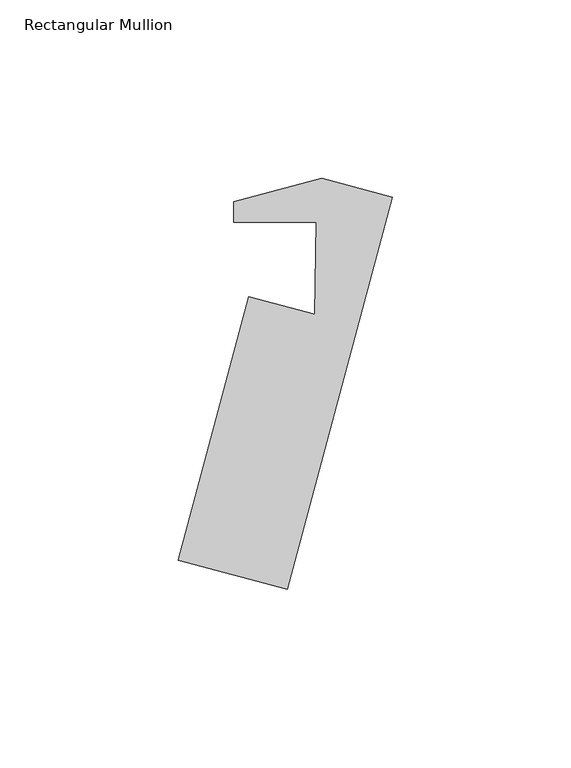
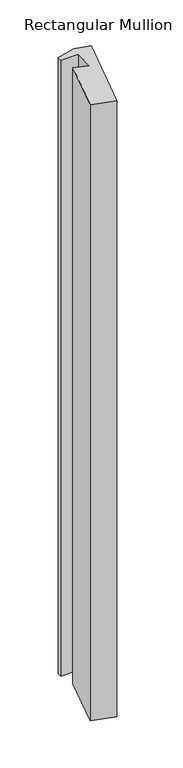
"""IFC4 building model written with IfcOpenShell, lengths in millimetres: member geometry, Rectangular Mullion."""

import ifcopenshell
import ifcopenshell.guid

model = None  # the IFC model being written
_history = None  # IfcOwnerHistory: only IFC2X3 demands one
_inside = {}  # id of a spatial element -> (the spatial element, [elements in it])
_under = {}  # id of a project, library or spatial element -> (it, [spatial elements below it])
_declared = {}  # id of a project -> (the project, [libraries it declares])
_typed = {}  # id of a type object -> (the type object, [elements of that type])
_made_of = {}  # id of a material, layer set ... -> (it, [elements and type objects made of it])


def new_model(schema):
    """Start an empty IFC model of exactly this schema.

    Asked for "IFC4X3", IfcOpenShell would pick the latest addendum, in which some entities
    have other attributes; the version numbers below select the first issue.
    IFC2X3 requires an IfcOwnerHistory on every rooted entity: one is made here for all.
    """
    global model, _history
    if schema == "IFC4X3":
        model = ifcopenshell.file(schema_version=(4, 3, 0, 0))
    else:
        model = ifcopenshell.file(schema=schema)
    _inside.clear()
    _under.clear()
    _declared.clear()
    _typed.clear()
    _made_of.clear()
    _history = None
    if model.schema == "IFC2X3":
        org = make("IfcOrganization", Name="unknown")
        user = make(
            "IfcPersonAndOrganization",
            ThePerson=make("IfcPerson", FamilyName="unknown"),
            TheOrganization=org,
        )
        app = make(
            "IfcApplication",
            ApplicationDeveloper=org,
            Version="unknown",
            ApplicationFullName="unknown",
            ApplicationIdentifier="unknown",
        )
        _history = make(
            "IfcOwnerHistory",
            OwningUser=user,
            OwningApplication=app,
            ChangeAction="ADDED",
            CreationDate=0,
        )
    return model


def make(cls, **values):
    """One entity of the class cls with the attributes given. An attribute that is None is left unset."""
    return model.create_entity(
        cls, **{name: value for name, value in values.items() if value is not None}
    )


def rooted(cls, **values):
    """An entity with a GlobalId (a new one), such as an element, a storey or a relation."""
    return make(cls, GlobalId=ifcopenshell.guid.new(), OwnerHistory=_history, **values)


def si_unit(unit_type, name, prefix=None):
    """IfcSIUnit, for example si_unit("LENGTHUNIT", "METRE", prefix="MILLI")."""
    return make("IfcSIUnit", UnitType=unit_type, Prefix=prefix, Name=name)


def assignment(units):
    """IfcUnitAssignment: the units of a project."""
    return None if units is None else make("IfcUnitAssignment", Units=units)


def point(xyz):
    """IfcCartesianPoint."""
    return None if xyz is None else make("IfcCartesianPoint", Coordinates=xyz)


def direction(xyz):
    """IfcDirection."""
    return None if xyz is None else make("IfcDirection", DirectionRatios=xyz)


def frame(location, z_axis=None, x_axis=None):
    """IfcAxis2Placement3D, a coordinate frame: its origin and axes. An axis left out is left unset."""
    return make(
        "IfcAxis2Placement3D",
        Location=point(location),
        Axis=direction(z_axis),
        RefDirection=direction(x_axis),
    )


def origin():
    """The frame at (0, 0, 0) with its axes left unset."""
    return frame((0.0, 0.0, 0.0))


def place(relative_to, where):
    """IfcLocalPlacement: puts the frame where relative to a parent placement (None: the world)."""
    return make(
        "IfcLocalPlacement", PlacementRelTo=relative_to, RelativePlacement=where
    )


def context(
    kind, dimensions, precision=None, world=None, true_north=None, identifier=None
):
    """IfcGeometricRepresentationContext, for example the 3D "Model" context."""
    return make(
        "IfcGeometricRepresentationContext",
        ContextIdentifier=identifier,
        ContextType=kind,
        CoordinateSpaceDimension=dimensions,
        Precision=precision,
        WorldCoordinateSystem=world,
        TrueNorth=true_north,
    )


def project(units=None, contexts=None):
    """IfcProject with its units and contexts."""
    return rooted(
        "IfcProject",
        Name="project",
        RepresentationContexts=contexts,
        UnitsInContext=assignment(units),
    )


def spatial(cls, under=None, at=None, **own):
    """A site, building, storey or space (cls), placed at a placement, below another one or the project."""
    s = rooted(cls, ObjectPlacement=at, **own)
    if under is not None:
        _under.setdefault(under.id(), (under, []))[1].append(s)
    return s


def polyline(points):
    """IfcPolyline through the points."""
    return make("IfcPolyline", Points=[point(p) for p in points])


def outline(outer, holes=None, kind="AREA"):
    """IfcArbitraryClosedProfileDef: a profile drawn as a closed curve; with holes, ...WithVoids."""
    if holes is None:
        return make("IfcArbitraryClosedProfileDef", ProfileType=kind, OuterCurve=outer)
    return make(
        "IfcArbitraryProfileDefWithVoids",
        ProfileType=kind,
        OuterCurve=outer,
        InnerCurves=holes,
    )


def extrude(swept, where, along, depth):
    """IfcExtrudedAreaSolid: the profile swept, set in the frame where, extruded along a direction by depth."""
    return make(
        "IfcExtrudedAreaSolid",
        SweptArea=swept,
        Position=where,
        ExtrudedDirection=direction(along),
        Depth=depth,
    )


def shape(context_of_items, identifier, shape_type, items):
    """IfcShapeRepresentation: the items that make up one representation, for example the "Body"."""
    return make(
        "IfcShapeRepresentation",
        ContextOfItems=context_of_items,
        RepresentationIdentifier=identifier,
        RepresentationType=shape_type,
        Items=items,
    )


def source(mapping_origin, context_of_items, identifier, shape_type, items):
    """IfcRepresentationMap: a shape defined once, which mapped items show again and again."""
    return make(
        "IfcRepresentationMap",
        MappingOrigin=mapping_origin,
        MappedRepresentation=shape(context_of_items, identifier, shape_type, items),
    )


def transform(
    local_origin,
    x_axis=None,
    y_axis=None,
    z_axis=None,
    scale=None,
    scale2=None,
    scale3=None,
    uniform=True,
):
    """IfcCartesianTransformationOperator3D, or its non-uniform kind. x_axis, y_axis, z_axis: its Axis1, 2, 3."""
    if uniform:
        return make(
            "IfcCartesianTransformationOperator3D",
            Axis1=direction(x_axis),
            Axis2=direction(y_axis),
            LocalOrigin=point(local_origin),
            Scale=scale,
            Axis3=direction(z_axis),
        )
    return make(
        "IfcCartesianTransformationOperator3DnonUniform",
        Axis1=direction(x_axis),
        Axis2=direction(y_axis),
        LocalOrigin=point(local_origin),
        Scale=scale,
        Axis3=direction(z_axis),
        Scale2=scale2,
        Scale3=scale3,
    )


def mapped(mapping_source, mapping_target):
    """IfcMappedItem: shows the shape of a source again, moved by a transform."""
    return make(
        "IfcMappedItem", MappingSource=mapping_source, MappingTarget=mapping_target
    )


def made_of(thing, what):
    """Note that an element or type object is made of a material, layer set ...; save() writes the relation."""
    if what is not None:
        _made_of.setdefault(what.id(), (what, []))[1].append(thing)
    return thing


def element(
    cls,
    number,
    at=None,
    inside=None,
    cuts=None,
    type_object=None,
    material=None,
    context=None,
    identifier="Body",
    shape_type=None,
    held_by="IfcProductDefinitionShape",
    body=None,
    shapes=None,
    **own,
):
    """One element of the class cls, such as IfcWall. Its Tag is "e" and its number.

    at: its placement. inside: the storey or other place that contains it. cuts: it is an
    opening in that element (IfcRelVoidsElement). A single representation is given by context,
    identifier, shape_type and body (its items); several are given by shapes. held_by: the class
    of the entity that holds the representations. save() writes the other relations.
    """
    e = rooted(cls, Tag="e%d" % number, ObjectPlacement=at, **own)
    if body is not None:
        shapes = [shape(context, identifier, shape_type, body)]
    if shapes is not None:
        e.Representation = make(held_by, Representations=shapes)
    if inside is not None:
        _inside.setdefault(inside.id(), (inside, []))[1].append(e)
    if cuts is not None:
        rooted(
            "IfcRelVoidsElement", RelatingBuildingElement=cuts, RelatedOpeningElement=e
        )
    if type_object is not None:
        _typed.setdefault(type_object.id(), (type_object, []))[1].append(e)
    return made_of(e, material)


def aggregate(whole, parts):
    """IfcRelAggregates: a whole, such as a stair, and the parts it consists of."""
    return rooted("IfcRelAggregates", RelatingObject=whole, RelatedObjects=parts)


def save(model, path):
    """Write the relations noted so far, then the file.

    IfcRelAggregates (storeys below a building ...), IfcRelContainedInSpatialStructure (elements
    in a storey), IfcRelDefinesByType, IfcRelAssociatesMaterial and IfcRelDeclares: one each for
    every whole, place, type object, material and project.
    """
    for whole, parts in _under.values():
        aggregate(whole, parts)
    for where, things in _inside.values():
        rooted(
            "IfcRelContainedInSpatialStructure",
            RelatedElements=things,
            RelatingStructure=where,
        )
    for kind, things in _typed.values():
        rooted("IfcRelDefinesByType", RelatedObjects=things, RelatingType=kind)
    for what, things in _made_of.values():
        rooted("IfcRelAssociatesMaterial", RelatedObjects=things, RelatingMaterial=what)
    for by, libraries in _declared.values():
        rooted("IfcRelDeclares", RelatingContext=by, RelatedDefinitions=libraries)
    model.write(path)


def rectangular_mullion_1a57a325(model_context):
    return source(origin(), model_context, "Body", "SweptSolid", [
        extrude(outline(polyline([(-41.3727787, 10.7125168), (-16.6940952, 17.3251501), (3.2129952, 11.9910613), (-26.2787582, -98.0736608), (-56.9469032, -89.8561562), (-37.1394299, -15.9336595), (-18.617568, -20.8965774), (-18.1301183, 4.9018396), (-41.3727787, 4.9018396), (-41.3727787, 10.7125168)])), frame((0.0, 0.0, -863.6587692), z_axis=(0.0, 0.0, 1.0), x_axis=(1.0, 0.0, 0.0)), (0.0, 0.0, 1.0), 863.6587692),
    ])


if __name__ == "__main__":
    model = new_model("IFC4")
    model_context = context("Model", 3, world=origin())
    ifc_project = project(units=[si_unit("LENGTHUNIT", "METRE", prefix="MILLI")], contexts=[model_context])
    site = spatial("IfcSite", under=ifc_project)
    building = spatial("IfcBuilding", under=site)
    placement = place(None, origin())
    rectangular_mullion_shape = rectangular_mullion_1a57a325(model_context)
    element("IfcMember", 1, ObjectType="Rectangular Mullion", at=placement, inside=building, context=model_context, shape_type="MappedRepresentation", body=[
        mapped(rectangular_mullion_shape, transform((0.0, 0.0, 0.0), x_axis=(1.0, 0.0, 0.0), y_axis=(0.0, 1.0, 0.0), z_axis=(0.0, 0.0, 1.0))),
    ])
    save(model, "model.ifc")
